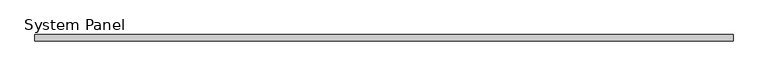
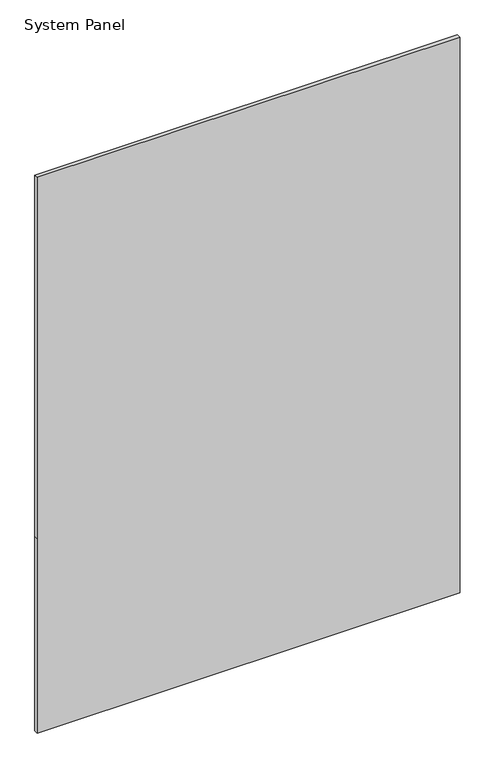
"""IFC4 building model written with IfcOpenShell, lengths in millimetres: plate geometry, System Panel."""

from ifc_helpers import new_model, si_unit, frame, origin, place, context, project, spatial, polyline, outline, extrude, source, transform, mapped, element, save


def system_panel_226ff1b0(model_context):
    return source(origin(), model_context, "Body", "SweptSolid", [
        extrude(outline(polyline([(0.0, -547.9674999), (0.0, 547.9674999), (532.559375, 547.9674999), (1522.31875, 547.9674999), (1522.31875, -547.9674999), (532.559375, -547.9674999), (0.0, -547.9674999)])), frame((0.0, -5.0, 0.0), z_axis=(0.0, 1.0, 0.0), x_axis=(0.0, 0.0, 1.0)), (0.0, 0.0, 1.0), 10.0),
    ])


if __name__ == "__main__":
    model = new_model("IFC4")
    model_context = context("Model", 3, world=origin())
    ifc_project = project(units=[si_unit("LENGTHUNIT", "METRE", prefix="MILLI")], contexts=[model_context])
    site = spatial("IfcSite", under=ifc_project)
    building = spatial("IfcBuilding", under=site)
    placement = place(None, origin())
    system_panel_shape = system_panel_226ff1b0(model_context)
    element("IfcPlate", 1, ObjectType="System Panel", at=placement, inside=building, context=model_context, shape_type="MappedRepresentation", body=[
        mapped(system_panel_shape, transform((0.0, 0.0, 0.0), x_axis=(1.0, 0.0, 0.0), y_axis=(0.0, 1.0, 0.0), z_axis=(0.0, 0.0, 1.0))),
    ])
    save(model, "model.ifc")
